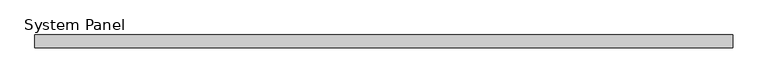
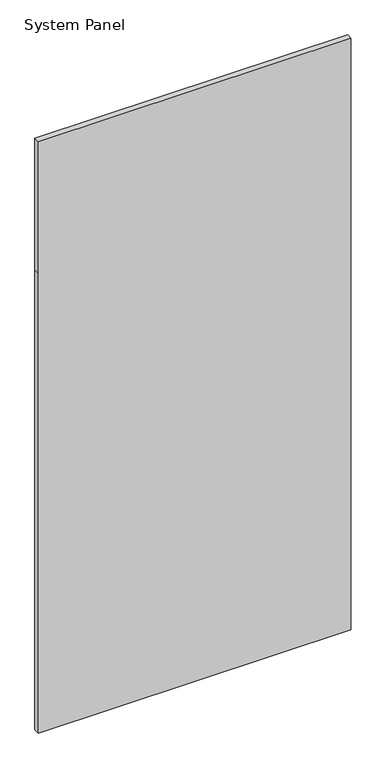
"""IFC4 building model written with IfcOpenShell, lengths in millimetres: plate geometry, System Panel."""

from ifc_helpers import new_model, si_unit, frame, origin, place, context, project, spatial, polyline, outline, extrude, source, transform, mapped, element, save


def system_panel_124e069d(model_context):
    return source(origin(), model_context, "Body", "SweptSolid", [
        extrude(outline(polyline([(0.0, -685.8), (0.0, 685.8), (2133.6, 685.8), (2743.2, 685.8), (2743.2, -685.8), (2133.6, -685.8), (0.0, -685.8)])), frame((0.0, 19.05, 0.0), z_axis=(0.0, 1.0, 0.0), x_axis=(0.0, 0.0, 1.0)), (0.0, 0.0, 1.0), 25.4),
    ])


if __name__ == "__main__":
    model = new_model("IFC4")
    model_context = context("Model", 3, world=origin())
    ifc_project = project(units=[si_unit("LENGTHUNIT", "METRE", prefix="MILLI")], contexts=[model_context])
    site = spatial("IfcSite", under=ifc_project)
    building = spatial("IfcBuilding", under=site)
    placement = place(None, origin())
    system_panel_shape = system_panel_124e069d(model_context)
    element("IfcPlate", 1, ObjectType="System Panel", at=placement, inside=building, context=model_context, shape_type="MappedRepresentation", body=[
        mapped(system_panel_shape, transform((0.0, 0.0, 0.0), x_axis=(1.0, 0.0, 0.0), y_axis=(0.0, 1.0, 0.0), z_axis=(0.0, 0.0, 1.0))),
    ])
    save(model, "model.ifc")
